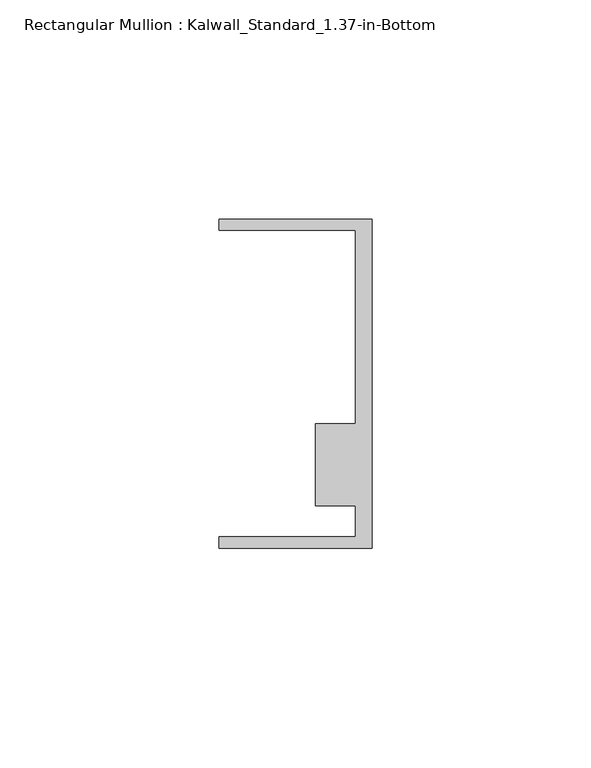
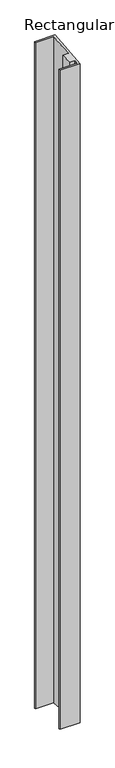
"""IFC4 building model written with IfcOpenShell, lengths in millimetres: member geometry, Rectangular Mullion : Kalwall_Standard_1.37-in-Bottom."""

from ifc_helpers import new_model, si_unit, origin, place, context, project, spatial, faceted_brep, source, transform, mapped, element, save


def rectangular_mullion_kalwall_standard_1_37_in_bottom_ee15b152(model_context):
    return source(origin(), model_context, "Body", "Brep", [
        faceted_brep([(0.0, 37.5023614, 3.125547), (0.0, -37.5776386, -3.5307182), (0.0, -37.5776386, -1201.6730405), (0.0, 37.5023614, -1208.274355), (-34.925, 37.5023614, 3.125547), (-34.925, 37.5023614, -1208.274355), (-34.925, 34.9623614, 2.9003617), (-34.925, 34.9623614, -1208.0510287), (-3.7084, 34.9623614, 2.9003617), (-3.7084, 34.9623614, -1208.0510287), (-3.7084, -9.1879886, -1.0138157), (-3.7084, -9.1879886, -1204.1691647), (-12.8272539, -9.1879886, -1.0138157), (-12.8272539, -9.1879886, -1204.1691647), (-12.8272539, -27.8888568, -2.6717531), (-12.8272539, -27.8888568, -1202.5249144), (-3.7084, -27.8888568, -2.6717531), (-3.7084, -27.8888568, -1202.5249144), (-3.7084, -35.0376386, -3.3055328), (-3.7084, -35.0376386, -1201.8963668), (-34.925, -35.0376386, -3.3055328), (-34.925, -35.0376386, -1201.8963668), (-34.925, -37.5776386, -3.5307182), (-34.925, -37.5776386, -1201.6730405)], [[[0, 1, 2, 3]], [[4, 0, 3, 5]], [[6, 4, 5, 7]], [[8, 6, 7, 9]], [[10, 8, 9, 11]], [[12, 10, 11, 13]], [[14, 12, 13, 15]], [[16, 14, 15, 17]], [[18, 16, 17, 19]], [[20, 18, 19, 21]], [[22, 20, 21, 23]], [[1, 22, 23, 2]], [[1, 0, 4, 6, 8, 10, 12, 14, 16, 18, 20, 22]], [[2, 23, 21, 19, 17, 15, 13, 11, 9, 7, 5, 3]]]),
    ])


if __name__ == "__main__":
    model = new_model("IFC4")
    model_context = context("Model", 3, world=origin())
    ifc_project = project(units=[si_unit("LENGTHUNIT", "METRE", prefix="MILLI")], contexts=[model_context])
    site = spatial("IfcSite", under=ifc_project)
    building = spatial("IfcBuilding", under=site)
    placement = place(None, origin())
    rectangular_mullion_kalwall_standard_1_37_in_bottom_shape = rectangular_mullion_kalwall_standard_1_37_in_bottom_ee15b152(model_context)
    element("IfcMember", 1, ObjectType="Rectangular Mullion : Kalwall_Standard_1.37-in-Bottom", at=placement, inside=building, context=model_context, shape_type="MappedRepresentation", body=[
        mapped(rectangular_mullion_kalwall_standard_1_37_in_bottom_shape, transform((0.0, 0.0, 0.0), x_axis=(1.0, 0.0, 0.0), y_axis=(0.0, 1.0, 0.0), z_axis=(0.0, 0.0, 1.0))),
    ])
    save(model, "model.ifc")
